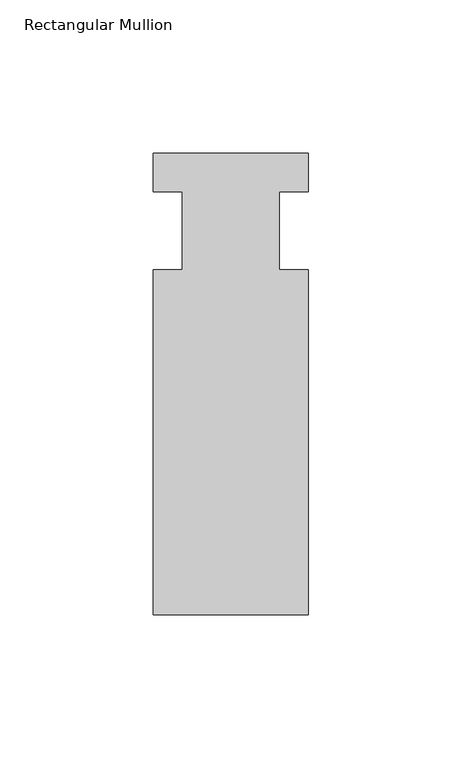
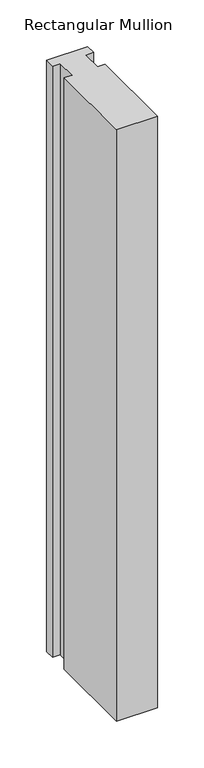
"""IFC4 building model written with IfcOpenShell, lengths in millimetres: member geometry, Rectangular Mullion."""

import ifcopenshell
import ifcopenshell.guid

model = None  # the IFC model being written
_history = None  # IfcOwnerHistory: only IFC2X3 demands one
_inside = {}  # id of a spatial element -> (the spatial element, [elements in it])
_under = {}  # id of a project, library or spatial element -> (it, [spatial elements below it])
_declared = {}  # id of a project -> (the project, [libraries it declares])
_typed = {}  # id of a type object -> (the type object, [elements of that type])
_made_of = {}  # id of a material, layer set ... -> (it, [elements and type objects made of it])


def new_model(schema):
    """Start an empty IFC model of exactly this schema.

    Asked for "IFC4X3", IfcOpenShell would pick the latest addendum, in which some entities
    have other attributes; the version numbers below select the first issue.
    IFC2X3 requires an IfcOwnerHistory on every rooted entity: one is made here for all.
    """
    global model, _history
    if schema == "IFC4X3":
        model = ifcopenshell.file(schema_version=(4, 3, 0, 0))
    else:
        model = ifcopenshell.file(schema=schema)
    _inside.clear()
    _under.clear()
    _declared.clear()
    _typed.clear()
    _made_of.clear()
    _history = None
    if model.schema == "IFC2X3":
        org = make("IfcOrganization", Name="unknown")
        user = make(
            "IfcPersonAndOrganization",
            ThePerson=make("IfcPerson", FamilyName="unknown"),
            TheOrganization=org,
        )
        app = make(
            "IfcApplication",
            ApplicationDeveloper=org,
            Version="unknown",
            ApplicationFullName="unknown",
            ApplicationIdentifier="unknown",
        )
        _history = make(
            "IfcOwnerHistory",
            OwningUser=user,
            OwningApplication=app,
            ChangeAction="ADDED",
            CreationDate=0,
        )
    return model


def make(cls, **values):
    """One entity of the class cls with the attributes given. An attribute that is None is left unset."""
    return model.create_entity(
        cls, **{name: value for name, value in values.items() if value is not None}
    )


def rooted(cls, **values):
    """An entity with a GlobalId (a new one), such as an element, a storey or a relation."""
    return make(cls, GlobalId=ifcopenshell.guid.new(), OwnerHistory=_history, **values)


def si_unit(unit_type, name, prefix=None):
    """IfcSIUnit, for example si_unit("LENGTHUNIT", "METRE", prefix="MILLI")."""
    return make("IfcSIUnit", UnitType=unit_type, Prefix=prefix, Name=name)


def assignment(units):
    """IfcUnitAssignment: the units of a project."""
    return None if units is None else make("IfcUnitAssignment", Units=units)


def point(xyz):
    """IfcCartesianPoint."""
    return None if xyz is None else make("IfcCartesianPoint", Coordinates=xyz)


def direction(xyz):
    """IfcDirection."""
    return None if xyz is None else make("IfcDirection", DirectionRatios=xyz)


def frame(location, z_axis=None, x_axis=None):
    """IfcAxis2Placement3D, a coordinate frame: its origin and axes. An axis left out is left unset."""
    return make(
        "IfcAxis2Placement3D",
        Location=point(location),
        Axis=direction(z_axis),
        RefDirection=direction(x_axis),
    )


def origin():
    """The frame at (0, 0, 0) with its axes left unset."""
    return frame((0.0, 0.0, 0.0))


def place(relative_to, where):
    """IfcLocalPlacement: puts the frame where relative to a parent placement (None: the world)."""
    return make(
        "IfcLocalPlacement", PlacementRelTo=relative_to, RelativePlacement=where
    )


def context(
    kind, dimensions, precision=None, world=None, true_north=None, identifier=None
):
    """IfcGeometricRepresentationContext, for example the 3D "Model" context."""
    return make(
        "IfcGeometricRepresentationContext",
        ContextIdentifier=identifier,
        ContextType=kind,
        CoordinateSpaceDimension=dimensions,
        Precision=precision,
        WorldCoordinateSystem=world,
        TrueNorth=true_north,
    )


def project(units=None, contexts=None):
    """IfcProject with its units and contexts."""
    return rooted(
        "IfcProject",
        Name="project",
        RepresentationContexts=contexts,
        UnitsInContext=assignment(units),
    )


def spatial(cls, under=None, at=None, **own):
    """A site, building, storey or space (cls), placed at a placement, below another one or the project."""
    s = rooted(cls, ObjectPlacement=at, **own)
    if under is not None:
        _under.setdefault(under.id(), (under, []))[1].append(s)
    return s


def polyline(points):
    """IfcPolyline through the points."""
    return make("IfcPolyline", Points=[point(p) for p in points])


def outline(outer, holes=None, kind="AREA"):
    """IfcArbitraryClosedProfileDef: a profile drawn as a closed curve; with holes, ...WithVoids."""
    if holes is None:
        return make("IfcArbitraryClosedProfileDef", ProfileType=kind, OuterCurve=outer)
    return make(
        "IfcArbitraryProfileDefWithVoids",
        ProfileType=kind,
        OuterCurve=outer,
        InnerCurves=holes,
    )


def extrude(swept, where, along, depth):
    """IfcExtrudedAreaSolid: the profile swept, set in the frame where, extruded along a direction by depth."""
    return make(
        "IfcExtrudedAreaSolid",
        SweptArea=swept,
        Position=where,
        ExtrudedDirection=direction(along),
        Depth=depth,
    )


def shape(context_of_items, identifier, shape_type, items):
    """IfcShapeRepresentation: the items that make up one representation, for example the "Body"."""
    return make(
        "IfcShapeRepresentation",
        ContextOfItems=context_of_items,
        RepresentationIdentifier=identifier,
        RepresentationType=shape_type,
        Items=items,
    )


def source(mapping_origin, context_of_items, identifier, shape_type, items):
    """IfcRepresentationMap: a shape defined once, which mapped items show again and again."""
    return make(
        "IfcRepresentationMap",
        MappingOrigin=mapping_origin,
        MappedRepresentation=shape(context_of_items, identifier, shape_type, items),
    )


def transform(
    local_origin,
    x_axis=None,
    y_axis=None,
    z_axis=None,
    scale=None,
    scale2=None,
    scale3=None,
    uniform=True,
):
    """IfcCartesianTransformationOperator3D, or its non-uniform kind. x_axis, y_axis, z_axis: its Axis1, 2, 3."""
    if uniform:
        return make(
            "IfcCartesianTransformationOperator3D",
            Axis1=direction(x_axis),
            Axis2=direction(y_axis),
            LocalOrigin=point(local_origin),
            Scale=scale,
            Axis3=direction(z_axis),
        )
    return make(
        "IfcCartesianTransformationOperator3DnonUniform",
        Axis1=direction(x_axis),
        Axis2=direction(y_axis),
        LocalOrigin=point(local_origin),
        Scale=scale,
        Axis3=direction(z_axis),
        Scale2=scale2,
        Scale3=scale3,
    )


def mapped(mapping_source, mapping_target):
    """IfcMappedItem: shows the shape of a source again, moved by a transform."""
    return make(
        "IfcMappedItem", MappingSource=mapping_source, MappingTarget=mapping_target
    )


def made_of(thing, what):
    """Note that an element or type object is made of a material, layer set ...; save() writes the relation."""
    if what is not None:
        _made_of.setdefault(what.id(), (what, []))[1].append(thing)
    return thing


def element(
    cls,
    number,
    at=None,
    inside=None,
    cuts=None,
    type_object=None,
    material=None,
    context=None,
    identifier="Body",
    shape_type=None,
    held_by="IfcProductDefinitionShape",
    body=None,
    shapes=None,
    **own,
):
    """One element of the class cls, such as IfcWall. Its Tag is "e" and its number.

    at: its placement. inside: the storey or other place that contains it. cuts: it is an
    opening in that element (IfcRelVoidsElement). A single representation is given by context,
    identifier, shape_type and body (its items); several are given by shapes. held_by: the class
    of the entity that holds the representations. save() writes the other relations.
    """
    e = rooted(cls, Tag="e%d" % number, ObjectPlacement=at, **own)
    if body is not None:
        shapes = [shape(context, identifier, shape_type, body)]
    if shapes is not None:
        e.Representation = make(held_by, Representations=shapes)
    if inside is not None:
        _inside.setdefault(inside.id(), (inside, []))[1].append(e)
    if cuts is not None:
        rooted(
            "IfcRelVoidsElement", RelatingBuildingElement=cuts, RelatedOpeningElement=e
        )
    if type_object is not None:
        _typed.setdefault(type_object.id(), (type_object, []))[1].append(e)
    return made_of(e, material)


def aggregate(whole, parts):
    """IfcRelAggregates: a whole, such as a stair, and the parts it consists of."""
    return rooted("IfcRelAggregates", RelatingObject=whole, RelatedObjects=parts)


def save(model, path):
    """Write the relations noted so far, then the file.

    IfcRelAggregates (storeys below a building ...), IfcRelContainedInSpatialStructure (elements
    in a storey), IfcRelDefinesByType, IfcRelAssociatesMaterial and IfcRelDeclares: one each for
    every whole, place, type object, material and project.
    """
    for whole, parts in _under.values():
        aggregate(whole, parts)
    for where, things in _inside.values():
        rooted(
            "IfcRelContainedInSpatialStructure",
            RelatedElements=things,
            RelatingStructure=where,
        )
    for kind, things in _typed.values():
        rooted("IfcRelDefinesByType", RelatedObjects=things, RelatingType=kind)
    for what, things in _made_of.values():
        rooted("IfcRelAssociatesMaterial", RelatedObjects=things, RelatingMaterial=what)
    for by, libraries in _declared.values():
        rooted("IfcRelDeclares", RelatingContext=by, RelatedDefinitions=libraries)
    model.write(path)


def rectangular_mullion_f05c94d1(model_context):
    return source(origin(), model_context, "Body", "SweptSolid", [
        extrude(outline(polyline([(25.4, -138.1125), (-25.4, -138.1125), (-25.4, -25.4), (-15.875, -25.4), (-15.875, 0.0), (-25.4, 0.0), (-25.4, 12.7), (25.4, 12.7), (25.4, 0.0), (15.875, 0.0), (15.875, -25.4), (25.4, -25.4), (25.4, -138.1125)])), frame((0.0, 0.0, -774.7), z_axis=(0.0, 0.0, 1.0), x_axis=(1.0, 0.0, 0.0)), (0.0, 0.0, 1.0), 774.7),
    ])


if __name__ == "__main__":
    model = new_model("IFC4")
    model_context = context("Model", 3, world=origin())
    ifc_project = project(units=[si_unit("LENGTHUNIT", "METRE", prefix="MILLI")], contexts=[model_context])
    site = spatial("IfcSite", under=ifc_project)
    building = spatial("IfcBuilding", under=site)
    placement = place(None, origin())
    rectangular_mullion_shape = rectangular_mullion_f05c94d1(model_context)
    element("IfcMember", 1, ObjectType="Rectangular Mullion", at=placement, inside=building, context=model_context, shape_type="MappedRepresentation", body=[
        mapped(rectangular_mullion_shape, transform((0.0, 0.0, 0.0), x_axis=(1.0, 0.0, 0.0), y_axis=(0.0, 1.0, 0.0), z_axis=(0.0, 0.0, 1.0))),
    ])
    save(model, "model.ifc")
